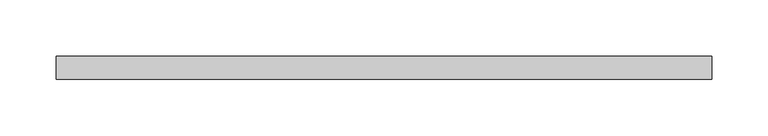
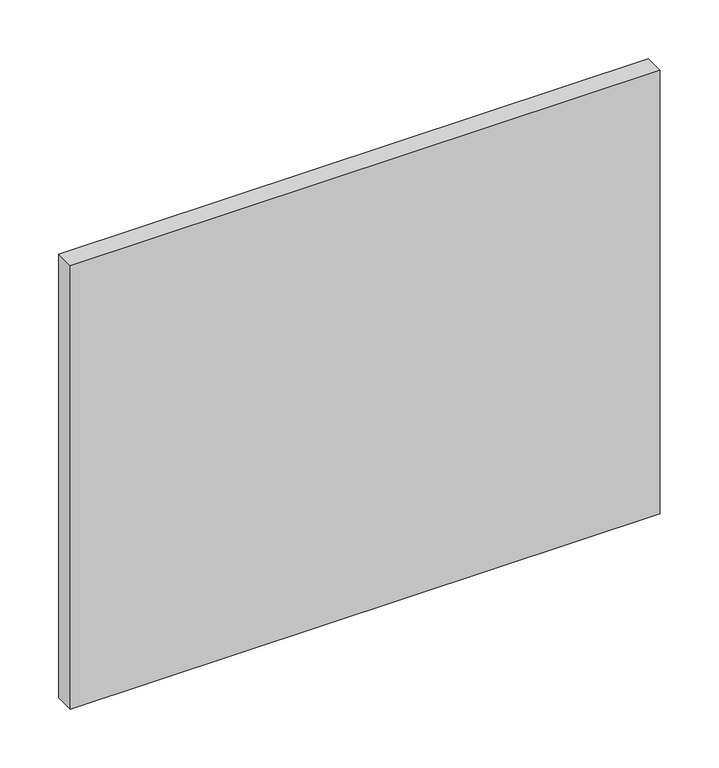
"""IFC4 building model written with IfcOpenShell, lengths in millimetres: plate geometry."""

from ifc_helpers import new_model, si_unit, origin, origin_with_axes, place, context, project, spatial, polyline, outline, extrude, source, transform, mapped, element, save


def plate_314b37a7(model_context):
    return source(origin(), model_context, "Body", "SweptSolid", [
        extrude(outline(polyline([(290.0, 70.0), (-290.0, 70.0), (-290.0, 90.0), (290.0, 90.0), (290.0, 70.0)])), origin_with_axes(), (0.0, 0.0, 1.0), 461.0),
    ])


if __name__ == "__main__":
    model = new_model("IFC4")
    model_context = context("Model", 3, world=origin())
    ifc_project = project(units=[si_unit("LENGTHUNIT", "METRE", prefix="MILLI")], contexts=[model_context])
    site = spatial("IfcSite", under=ifc_project)
    building = spatial("IfcBuilding", under=site)
    placement = place(None, origin())
    plate_shape = plate_314b37a7(model_context)
    element("IfcPlate", 1, at=placement, inside=building, context=model_context, shape_type="MappedRepresentation", body=[
        mapped(plate_shape, transform((0.0, 0.0, 0.0), x_axis=(1.0, 0.0, 0.0), y_axis=(0.0, 1.0, 0.0), z_axis=(0.0, 0.0, 1.0))),
    ])
    save(model, "model.ifc")
